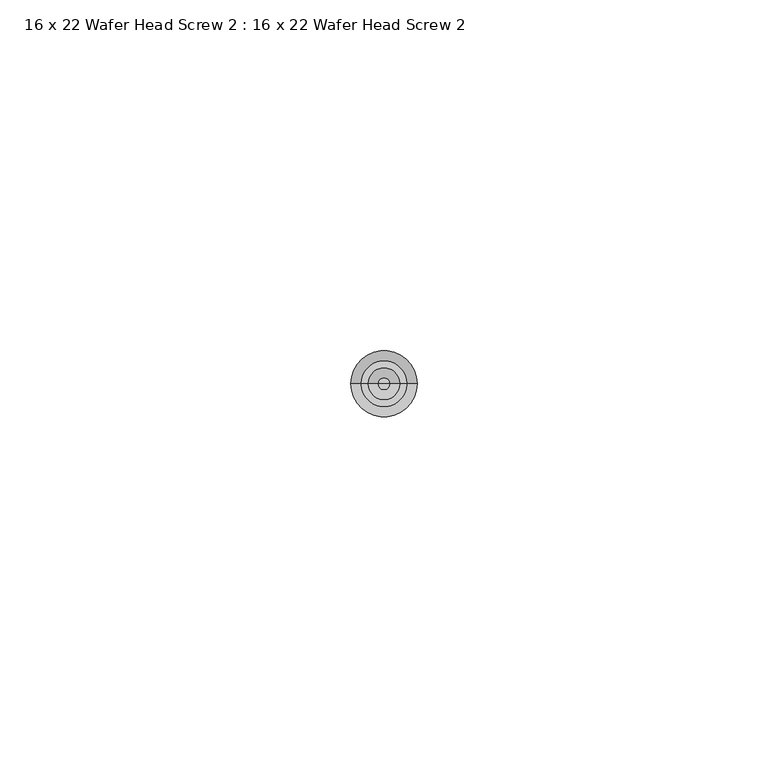
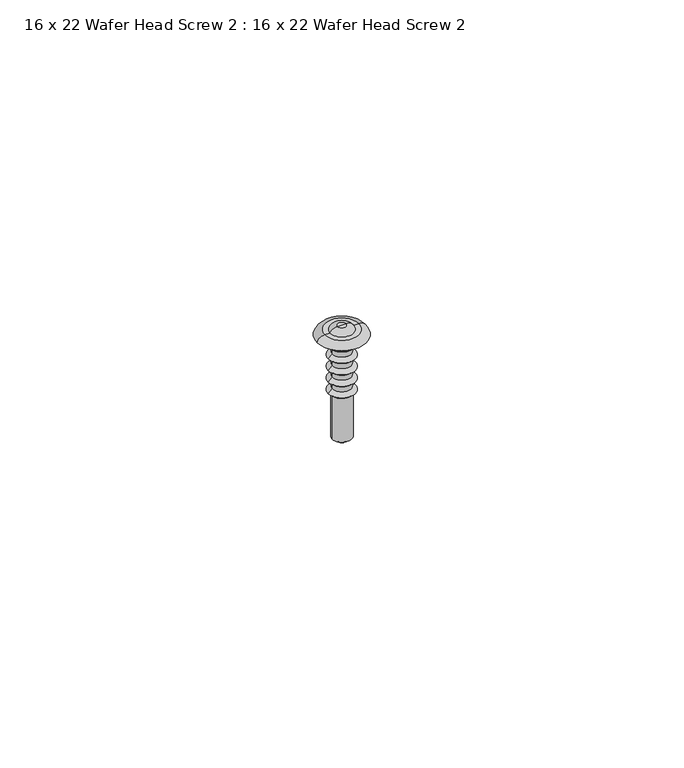
"""IFC4 building model written with IfcOpenShell, lengths in millimetres: proxy geometry, 16 x 22 Wafer Head Screw 2 : 16 x 22 Wafer Head Screw 2."""

from ifc_helpers import new_model, si_unit, point, frame, origin, place, context, project, spatial, polyline, circle_curve, ellipse_curve, trimmed, source, transform, mapped, element, save
from ifc_brep_helpers import plane_surface, cylinder_surface, revolved_surface, advanced_brep


def proxy_16_x_22_wafer_head_screw_2_16_x_22_wafer_head_screw_2_dc8f8374(model_context):
    return source(origin(), model_context, "Body", "AdvancedBrep", [
        advanced_brep(
        [(-1.8554352, 0.0, -11.6700547), (-1.8554352, 0.0, -20.4471271), (1.8554352, 0.0, -20.4471271), (1.8554352, 0.0, -11.6700547), (-2.5766059, 0.0, -11.0431506), (2.5766059, 0.0, -11.0431506), (-1.8554352, 0.0, -10.3219798), (1.8554352, 0.0, -10.3219798), (-1.8554352, 0.0, -9.3360438), (1.8554352, 0.0, -9.3360438), (-2.5766059, 0.0, -8.7091396), (2.5766059, 0.0, -8.7091396), (-1.8554352, 0.0, -7.9879689), (1.8554352, 0.0, -7.9879689), (-1.8554352, 0.0, -7.0020328), (1.8554352, 0.0, -7.0020328), (-2.5766059, 0.0, -6.3751287), (2.5766059, 0.0, -6.3751287), (-1.8554352, 0.0, -5.6539579), (1.8554352, 0.0, -5.6539579), (-1.8554352, 0.0, -4.6680219), (1.8554352, 0.0, -4.6680219), (-2.5766059, 0.0, -4.0411177), (2.5766059, 0.0, -4.0411177), (-1.8554352, 0.0, -3.319947), (1.8554352, 0.0, -3.319947), (-1.8554352, 0.0, -2.3340109), (1.8554352, 0.0, -2.3340109), (-2.5766059, 0.0, -1.7071068), (2.5766059, 0.0, -1.7071068), (-1.8694992, 0.0, -1.0), (1.8694992, 0.0, -1.0), (-1.8694992, 0.0, 0.0), (1.8694992, 0.0, 0.0), (-4.7066403, 0.0, 0.0), (4.7066403, 0.0, 0.0), (-3.2807188, 0.0, 1.0359925), (3.2807188, 0.0, 1.0359925), (-2.2807188, 0.0, 1.0359925), (2.2807188, 0.0, 1.0359925), (-0.8626721, 0.0, 1.8547022), (0.8626721, 0.0, 1.8547022), (0.0, 0.0, 1.8547022), (0.0, 0.0, -21.8452978)],
        [
            (0, 1),
            (1, 2, circle_curve(frame((0.0, 0.0, -20.4471271), z_axis=(0.0, 0.0, 1.0), x_axis=(1.0, 0.0, 0.0)), 1.8554352)),
            (2, 3),
            (3, 0, circle_curve(frame((0.0, 0.0, -11.6700547), z_axis=(0.0, 0.0, -1.0), x_axis=(1.0, 0.0, 0.0)), 1.8554352)),
            (2, 1, circle_curve(frame((0.0, 0.0, -20.4471271), z_axis=(0.0, 0.0, 1.0), x_axis=(1.0, 0.0, 0.0)), 1.8554352)),
            (0, 3, circle_curve(frame((0.0, 0.0, -11.6700547), z_axis=(0.0, 0.0, -1.0), x_axis=(1.0, 0.0, 0.0)), 1.8554352)),
            (4, 0),
            (3, 5),
            (5, 4, circle_curve(frame((0.0, 0.0, -11.0431506), z_axis=(0.0, 0.0, -1.0), x_axis=(1.0, 0.0, 0.0)), 2.5766059)),
            (4, 5, circle_curve(frame((0.0, 0.0, -11.0431506), z_axis=(0.0, 0.0, -1.0), x_axis=(1.0, 0.0, 0.0)), 2.5766059)),
            (6, 4),
            (5, 7),
            (7, 6, circle_curve(frame((0.0, 0.0, -10.3219798), z_axis=(0.0, 0.0, -1.0), x_axis=(1.0, 0.0, 0.0)), 1.8554352)),
            (6, 7, circle_curve(frame((0.0, 0.0, -10.3219798), z_axis=(0.0, 0.0, -1.0), x_axis=(1.0, 0.0, 0.0)), 1.8554352)),
            (8, 6),
            (7, 9),
            (9, 8, circle_curve(frame((0.0, 0.0, -9.3360438), z_axis=(0.0, 0.0, -1.0), x_axis=(1.0, 0.0, 0.0)), 1.8554352)),
            (8, 9, circle_curve(frame((0.0, 0.0, -9.3360438), z_axis=(0.0, 0.0, -1.0), x_axis=(1.0, 0.0, 0.0)), 1.8554352)),
            (10, 8),
            (9, 11),
            (11, 10, circle_curve(frame((0.0, 0.0, -8.7091396), z_axis=(0.0, 0.0, -1.0), x_axis=(1.0, 0.0, 0.0)), 2.5766059)),
            (10, 11, circle_curve(frame((0.0, 0.0, -8.7091396), z_axis=(0.0, 0.0, -1.0), x_axis=(1.0, 0.0, 0.0)), 2.5766059)),
            (12, 10),
            (11, 13),
            (13, 12, circle_curve(frame((0.0, 0.0, -7.9879689), z_axis=(0.0, 0.0, -1.0), x_axis=(1.0, 0.0, 0.0)), 1.8554352)),
            (12, 13, circle_curve(frame((0.0, 0.0, -7.9879689), z_axis=(0.0, 0.0, -1.0), x_axis=(1.0, 0.0, 0.0)), 1.8554352)),
            (14, 12),
            (13, 15),
            (15, 14, circle_curve(frame((0.0, 0.0, -7.0020328), z_axis=(0.0, 0.0, -1.0), x_axis=(1.0, 0.0, 0.0)), 1.8554352)),
            (14, 15, circle_curve(frame((0.0, 0.0, -7.0020328), z_axis=(0.0, 0.0, -1.0), x_axis=(1.0, 0.0, 0.0)), 1.8554352)),
            (16, 14),
            (15, 17),
            (17, 16, circle_curve(frame((0.0, 0.0, -6.3751287), z_axis=(0.0, 0.0, -1.0), x_axis=(1.0, 0.0, 0.0)), 2.5766059)),
            (16, 17, circle_curve(frame((0.0, 0.0, -6.3751287), z_axis=(0.0, 0.0, -1.0), x_axis=(1.0, 0.0, 0.0)), 2.5766059)),
            (18, 16),
            (17, 19),
            (19, 18, circle_curve(frame((0.0, 0.0, -5.6539579), z_axis=(0.0, 0.0, -1.0), x_axis=(1.0, 0.0, 0.0)), 1.8554352)),
            (18, 19, circle_curve(frame((0.0, 0.0, -5.6539579), z_axis=(0.0, 0.0, -1.0), x_axis=(1.0, 0.0, 0.0)), 1.8554352)),
            (20, 18),
            (19, 21),
            (21, 20, circle_curve(frame((0.0, 0.0, -4.6680219), z_axis=(0.0, 0.0, -1.0), x_axis=(1.0, 0.0, 0.0)), 1.8554352)),
            (20, 21, circle_curve(frame((0.0, 0.0, -4.6680219), z_axis=(0.0, 0.0, -1.0), x_axis=(1.0, 0.0, 0.0)), 1.8554352)),
            (22, 20),
            (21, 23),
            (23, 22, circle_curve(frame((0.0, 0.0, -4.0411177), z_axis=(0.0, 0.0, -1.0), x_axis=(1.0, 0.0, 0.0)), 2.5766059)),
            (22, 23, circle_curve(frame((0.0, 0.0, -4.0411177), z_axis=(0.0, 0.0, -1.0), x_axis=(1.0, 0.0, 0.0)), 2.5766059)),
            (24, 22),
            (23, 25),
            (25, 24, circle_curve(frame((0.0, 0.0, -3.319947), z_axis=(0.0, 0.0, -1.0), x_axis=(1.0, 0.0, 0.0)), 1.8554352)),
            (24, 25, circle_curve(frame((0.0, 0.0, -3.319947), z_axis=(0.0, 0.0, -1.0), x_axis=(1.0, 0.0, 0.0)), 1.8554352)),
            (26, 24),
            (25, 27),
            (27, 26, circle_curve(frame((0.0, 0.0, -2.3340109), z_axis=(0.0, 0.0, -1.0), x_axis=(1.0, 0.0, 0.0)), 1.8554352)),
            (26, 27, circle_curve(frame((0.0, 0.0, -2.3340109), z_axis=(0.0, 0.0, -1.0), x_axis=(1.0, 0.0, 0.0)), 1.8554352)),
            (28, 26),
            (27, 29),
            (29, 28, circle_curve(frame((0.0, 0.0, -1.7071068), z_axis=(0.0, 0.0, -1.0), x_axis=(1.0, 0.0, 0.0)), 2.5766059)),
            (28, 29, circle_curve(frame((0.0, 0.0, -1.7071068), z_axis=(0.0, 0.0, -1.0), x_axis=(1.0, 0.0, 0.0)), 2.5766059)),
            (30, 28),
            (29, 31),
            (31, 30, circle_curve(frame((0.0, 0.0, -1.0), z_axis=(0.0, 0.0, -1.0), x_axis=(1.0, 0.0, 0.0)), 1.8694992)),
            (30, 31, circle_curve(frame((0.0, 0.0, -1.0), z_axis=(0.0, 0.0, -1.0), x_axis=(1.0, 0.0, 0.0)), 1.8694992)),
            (32, 30),
            (31, 33),
            (33, 32, circle_curve(frame((0.0, 0.0, 0.0), z_axis=(0.0, 0.0, -1.0), x_axis=(1.0, 0.0, 0.0)), 1.8694992)),
            (32, 33, circle_curve(frame((0.0, 0.0, 0.0), z_axis=(0.0, 0.0, -1.0), x_axis=(1.0, 0.0, 0.0)), 1.8694992)),
            (34, 32),
            (33, 35),
            (35, 34, circle_curve(frame((0.0, 0.0, 0.0), z_axis=(0.0, 0.0, -1.0), x_axis=(1.0, 0.0, 0.0)), 4.7066403)),
            (34, 35, circle_curve(frame((0.0, 0.0, 0.0), z_axis=(0.0, 0.0, -1.0), x_axis=(1.0, 0.0, 0.0)), 4.7066403)),
            (36, 34, circle_curve(frame((-3.3352308, 0.0, -0.3882807), z_axis=(0.0, -1.0, 0.0), x_axis=(0.0, 0.0, 1.0)), 1.425316)),
            (35, 37, circle_curve(frame((3.3352308, 0.0, -0.3882807), z_axis=(0.0, -1.0, 0.0), x_axis=(0.0, 0.0, 1.0)), 1.425316)),
            (37, 36, circle_curve(frame((0.0, 0.0, 1.0359925), z_axis=(0.0, 0.0, -1.0), x_axis=(1.0, 0.0, 0.0)), 3.2807188)),
            (36, 37, circle_curve(frame((0.0, 0.0, 1.0359925), z_axis=(0.0, 0.0, -1.0), x_axis=(1.0, 0.0, 0.0)), 3.2807188)),
            (38, 36),
            (37, 39),
            (39, 38, circle_curve(frame((0.0, 0.0, 1.0359925), z_axis=(0.0, 0.0, -1.0), x_axis=(1.0, 0.0, 0.0)), 2.2807188)),
            (38, 39, circle_curve(frame((0.0, 0.0, 1.0359925), z_axis=(0.0, 0.0, -1.0), x_axis=(1.0, 0.0, 0.0)), 2.2807188)),
            (40, 38, circle_curve(frame((-0.8939585, 0.0, 0.2714724), z_axis=(0.0, -1.0, 0.0), x_axis=(0.0, 0.0, 1.0)), 1.5835389)),
            (39, 41, circle_curve(frame((0.8939585, 0.0, 0.2714724), z_axis=(0.0, -1.0, 0.0), x_axis=(0.0, 0.0, 1.0)), 1.5835389)),
            (41, 40, circle_curve(frame((0.0, 0.0, 1.8547022), z_axis=(0.0, 0.0, -1.0), x_axis=(1.0, 0.0, 0.0)), 0.8626721)),
            (40, 41, circle_curve(frame((0.0, 0.0, 1.8547022), z_axis=(0.0, 0.0, -1.0), x_axis=(1.0, 0.0, 0.0)), 0.8626721)),
            (42, 40),
            (41, 42),
            (1, 43),
            (43, 2),
        ],
        [
            cylinder_surface(frame((0.0, 0.0, -22.2103269), z_axis=(0.0, 0.0, 1.0), x_axis=(1.0, 0.0, 0.0)), 1.8554352),
            revolved_surface(polyline([(1.8554352, 0.0, -11.6700547), (2.5766059, 0.0, -11.0431506)]), (0.0, 0.0, -22.2103269), (0.0, 0.0, 1.0)),
            revolved_surface(polyline([(2.5766059, 0.0, -11.0431506), (1.8554352, 0.0, -10.3219798)]), (0.0, 0.0, -22.2103269), (0.0, 0.0, 1.0)),
            revolved_surface(polyline([(1.8554352, 0.0, -9.3360438), (2.5766059, 0.0, -8.7091396)]), (0.0, 0.0, -22.2103269), (0.0, 0.0, 1.0)),
            revolved_surface(polyline([(2.5766059, 0.0, -8.7091396), (1.8554352, 0.0, -7.9879689)]), (0.0, 0.0, -22.2103269), (0.0, 0.0, 1.0)),
            revolved_surface(polyline([(1.8554352, 0.0, -7.0020328), (2.5766059, 0.0, -6.3751287)]), (0.0, 0.0, -22.2103269), (0.0, 0.0, 1.0)),
            revolved_surface(polyline([(2.5766059, 0.0, -6.3751287), (1.8554352, 0.0, -5.6539579)]), (0.0, 0.0, -22.2103269), (0.0, 0.0, 1.0)),
            revolved_surface(polyline([(1.8554352, 0.0, -4.6680219), (2.5766059, 0.0, -4.0411177)]), (0.0, 0.0, -22.2103269), (0.0, 0.0, 1.0)),
            revolved_surface(polyline([(2.5766059, 0.0, -4.0411177), (1.8554352, 0.0, -3.319947)]), (0.0, 0.0, -22.2103269), (0.0, 0.0, 1.0)),
            revolved_surface(polyline([(1.8554352, 0.0, -2.3340109), (2.5766059, 0.0, -1.7071068)]), (0.0, 0.0, -22.2103269), (0.0, 0.0, 1.0)),
            revolved_surface(polyline([(2.5766059, 0.0, -1.7071068), (1.8694992, 0.0, -1.0)]), (0.0, 0.0, -22.2103269), (0.0, 0.0, 1.0)),
            cylinder_surface(frame((0.0, 0.0, -22.2103269), z_axis=(0.0, 0.0, 1.0), x_axis=(1.0, 0.0, 0.0)), 1.8694992),
            plane_surface(frame((0.0, 0.0, 0.0), z_axis=(0.0, 0.0, -1.0), x_axis=(1.0, 0.0, 0.0))),
            revolved_surface(trimmed(ellipse_curve(frame((3.3352308, 0.0, -0.3882807), z_axis=(0.0, -1.0, 0.0), x_axis=(0.0, 0.0, 1.0)), 1.425316, 1.425316), [point((4.7066403, 0.0, 0.0))], [point((3.2807188, 0.0, 1.0359925))], True, "CARTESIAN"), (0.0, 0.0, -22.2103269), (0.0, 0.0, 1.0)),
            plane_surface(frame((0.0, 0.0, 1.0359925), z_axis=(0.0, 0.0, 1.0), x_axis=(1.0, 0.0, 0.0))),
            revolved_surface(trimmed(ellipse_curve(frame((0.8939585, 0.0, 0.2714724), z_axis=(0.0, -1.0, 0.0), x_axis=(0.0, 0.0, 1.0)), 1.5835389, 1.5835389), [point((2.2807188, 0.0, 1.0359925))], [point((0.8626721, 0.0, 1.8547022))], True, "CARTESIAN"), (0.0, 0.0, -22.2103269), (0.0, 0.0, 1.0)),
            plane_surface(frame((0.0, 0.0, 1.8547022), z_axis=(0.0, 0.0, 1.0), x_axis=(1.0, 0.0, 0.0))),
            revolved_surface(polyline([(0.0, 0.0, -21.8452978), (1.8554352, 0.0, -20.4471271)]), (0.0, 0.0, -22.2103269), (0.0, 0.0, 1.0)),
        ],
        [
            (0, [[1, 2, 3, 4]]),
            (0, [[-3, 5, -1, 6]]),
            (1, [[7, -4, 8, 9]]),
            (1, [[-8, -6, -7, 10]]),
            (2, [[11, -9, 12, 13]]),
            (2, [[-12, -10, -11, 14]]),
            (0, [[15, -13, 16, 17]]),
            (0, [[-16, -14, -15, 18]]),
            (3, [[19, -17, 20, 21]]),
            (3, [[-20, -18, -19, 22]]),
            (4, [[23, -21, 24, 25]]),
            (4, [[-24, -22, -23, 26]]),
            (0, [[27, -25, 28, 29]]),
            (0, [[-28, -26, -27, 30]]),
            (5, [[31, -29, 32, 33]]),
            (5, [[-32, -30, -31, 34]]),
            (6, [[35, -33, 36, 37]]),
            (6, [[-36, -34, -35, 38]]),
            (0, [[39, -37, 40, 41]]),
            (0, [[-40, -38, -39, 42]]),
            (7, [[43, -41, 44, 45]]),
            (7, [[-44, -42, -43, 46]]),
            (8, [[47, -45, 48, 49]]),
            (8, [[-48, -46, -47, 50]]),
            (0, [[51, -49, 52, 53]]),
            (0, [[-52, -50, -51, 54]]),
            (9, [[55, -53, 56, 57]]),
            (9, [[-56, -54, -55, 58]]),
            (10, [[59, -57, 60, 61]]),
            (10, [[-60, -58, -59, 62]]),
            (11, [[63, -61, 64, 65]]),
            (11, [[-64, -62, -63, 66]]),
            (12, [[67, -65, 68, 69]]),
            (12, [[-68, -66, -67, 70]]),
            (13, [[71, -69, 72, 73]]),
            (13, [[-72, -70, -71, 74]]),
            (14, [[75, -73, 76, 77]]),
            (14, [[-76, -74, -75, 78]]),
            (15, [[79, -77, 80, 81]]),
            (15, [[-80, -78, -79, 82]]),
            (16, [[83, -81, 84]]),
            (16, [[-84, -82, -83]]),
            (17, [[85, 86, -2]]),
            (17, [[-86, -85, -5]]),
        ],
    ),
    ])


if __name__ == "__main__":
    model = new_model("IFC4")
    model_context = context("Model", 3, world=origin())
    ifc_project = project(units=[si_unit("LENGTHUNIT", "METRE", prefix="MILLI")], contexts=[model_context])
    site = spatial("IfcSite", under=ifc_project)
    building = spatial("IfcBuilding", under=site)
    placement = place(None, origin())
    proxy_16_x_22_wafer_head_screw_2_16_x_22_wafer_head_screw_2_shape = proxy_16_x_22_wafer_head_screw_2_16_x_22_wafer_head_screw_2_dc8f8374(model_context)
    element("IfcBuildingElementProxy", 1, Name="16 x 22 Wafer Head Screw 2 : 16 x 22 Wafer Head Screw 2", ObjectType="16 x 22 Wafer Head Screw 2 : 16 x 22 Wafer Head Screw 2", at=placement, inside=building, context=model_context, shape_type="MappedRepresentation", body=[
        mapped(proxy_16_x_22_wafer_head_screw_2_16_x_22_wafer_head_screw_2_shape, transform((0.0, 0.0, 0.0), x_axis=(1.0, 0.0, 0.0), y_axis=(0.0, 1.0, 0.0), z_axis=(0.0, 0.0, 1.0))),
    ])
    save(model, "model.ifc")
